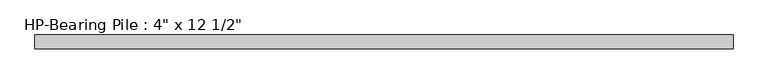
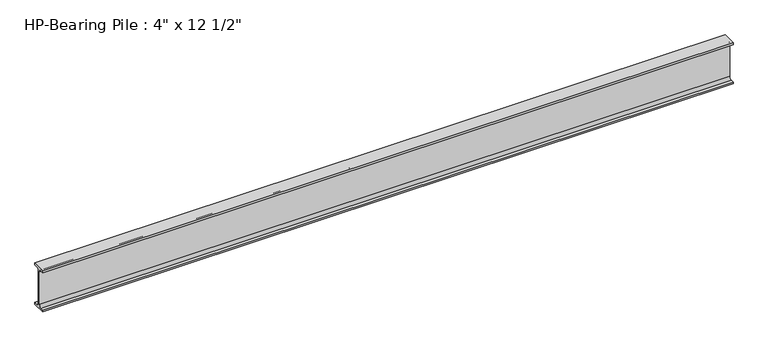
"""IFC4 building model written with IfcOpenShell, lengths in millimetres: beam geometry."""

from ifc_helpers import new_model, si_unit, point, frame, frame_2d, origin, place, context, project, spatial, polyline, circle_curve, trimmed, segment, composite_curve, outline, extrude, source, transform, mapped, element, save


def beam_5d622dcc(model_context):
    return source(origin(), model_context, "Body", "SweptSolid", [
        extrude(outline(composite_curve([segment(polyline([(50.8, -146.05), (50.8, -158.75), (-50.8, -158.75), (-50.8, -146.05), (-25.4, -146.05)]), True, "CONTINUOUS"), segment(trimmed(circle_curve(frame_2d((-25.4, -127.0)), 19.05), [point((-25.4, -146.05))], [point((-6.35, -127.0))], True, "CARTESIAN"), True, "CONTINUOUS"), segment(polyline([(-6.35, -127.0), (-6.35, 127.0)]), True, "CONTINUOUS"), segment(trimmed(circle_curve(frame_2d((-25.4, 127.0)), 19.05), [point((-6.35, 127.0))], [point((-25.4, 146.05))], True, "CARTESIAN"), True, "CONTINUOUS"), segment(polyline([(-25.4, 146.05), (-50.8, 146.05), (-50.8, 158.75), (50.8, 158.75), (50.8, 146.05), (25.4, 146.05)]), True, "CONTINUOUS"), segment(trimmed(circle_curve(frame_2d((25.4, 127.0)), 19.05), [point((25.4, 146.05))], [point((6.35, 127.0))], True, "CARTESIAN"), True, "CONTINUOUS"), segment(polyline([(6.35, 127.0), (6.35, -127.0)]), True, "CONTINUOUS"), segment(trimmed(circle_curve(frame_2d((25.4, -127.0)), 19.05), [point((6.35, -127.0))], [point((25.4, -146.05))], True, "CARTESIAN"), True, "CONTINUOUS"), segment(polyline([(25.4, -146.05), (50.8, -146.05)]), True, "CONTINUOUS")], self_intersect=False)), frame((-2558.9365927, 0.0, 0.0), z_axis=(1.0, 0.0, 0.0), x_axis=(0.0, 1.0, 0.0)), (0.0, 0.0, 1.0), 5048.2499994),
    ])


if __name__ == "__main__":
    model = new_model("IFC4")
    model_context = context("Model", 3, world=origin())
    ifc_project = project(units=[si_unit("LENGTHUNIT", "METRE", prefix="MILLI")], contexts=[model_context])
    site = spatial("IfcSite", under=ifc_project)
    building = spatial("IfcBuilding", under=site)
    placement = place(None, origin())
    beam_shape = beam_5d622dcc(model_context)
    element("IfcBeam", 1, ObjectType="HP-Bearing Pile : 4\" x 12 1/2\"", at=placement, inside=building, context=model_context, shape_type="MappedRepresentation", body=[
        mapped(beam_shape, transform((0.0, 0.0, 0.0), x_axis=(1.0, 0.0, 0.0), y_axis=(0.0, 1.0, 0.0), z_axis=(0.0, 0.0, 1.0))),
    ])
    save(model, "model.ifc")
